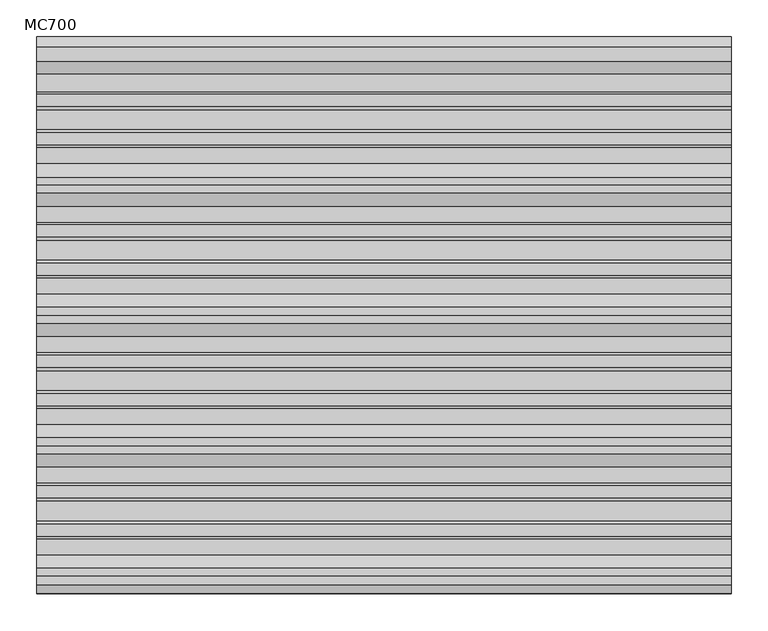
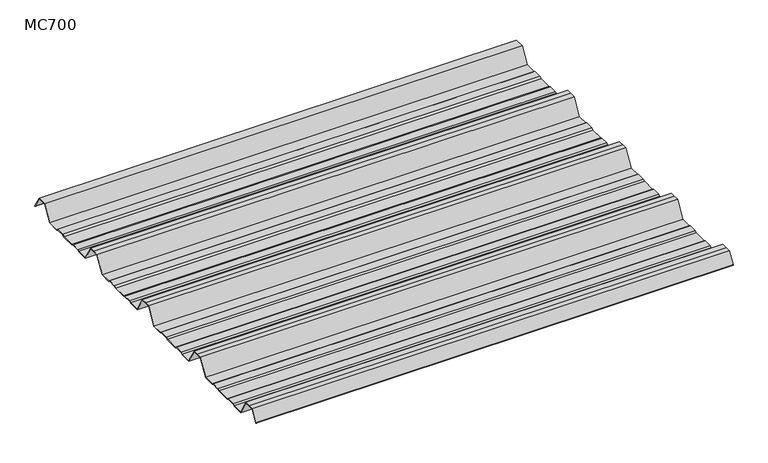
"""IFC4 building model written with IfcOpenShell, lengths in millimetres: beam geometry, MC700."""

from ifc_helpers import new_model, si_unit, point, frame, frame_2d, origin, place, context, project, spatial, polyline, circle_curve, trimmed, segment, composite_curve, outline, extrude, source, transform, mapped, element, save


def mc700_760bf003(model_context):
    return source(origin(), model_context, "Body", "SweptSolid", [
        extrude(outline(composite_curve([segment(polyline([(-279.7790109, -25.7896475), (-284.1593286, -23.7494212), (-300.5873198, -23.7494212), (-303.802364, -25.7896475), (-326.5000016, -25.7896475), (-344.5745116, 5.2103525), (-355.0, 5.2103525), (-365.4254884, 5.2103525), (-383.4999984, -25.7896475), (-406.197636, -25.7896475), (-409.4126802, -23.7494212), (-425.8406714, -23.7494212), (-430.2209891, -25.7896475), (-457.2790109, -25.7896475), (-461.6593286, -23.7494212), (-478.0873198, -23.7494212), (-481.302364, -25.7896475), (-504.0000016, -25.7896475), (-522.0745116, 5.2103525), (-532.5, 5.2103525), (-542.9254884, 5.2103525), (-560.9999984, -25.7896475), (-583.697636, -25.7896475), (-586.9126802, -23.7494212), (-603.3406714, -23.7494212), (-607.7209891, -25.7896475), (-634.7790109, -25.7896475), (-639.1593286, -23.7494212), (-655.5873198, -23.7494212), (-658.802364, -25.7896475), (-681.5000016, -25.7896475), (-699.5745116, 5.2103525), (-710.0, 5.2103525), (-720.4254884, 5.2103525), (-732.728303, -15.8904825)]), True, "CONTINUOUS"), segment(trimmed(circle_curve(frame_2d((-733.160246, -15.6386387)), 0.5), [point((-732.728303, -15.8904825))], [point((-733.5921889, -15.3867949))], False, "CARTESIAN"), True, "CONTINUOUS"), segment(polyline([(-733.5921889, -15.3867949), (-721.0, 6.2103525), (-710.0, 6.2103525), (-699.0, 6.2103525), (-680.92549, -24.7896475), (-659.0928785, -24.7896475), (-655.8778343, -22.7494212), (-638.9378651, -22.7494212), (-634.5575473, -24.7896475), (-607.9424527, -24.7896475), (-603.5621349, -22.7494212), (-586.6221657, -22.7494212), (-583.4071215, -24.7896475), (-561.57451, -24.7896475), (-543.5, 6.2103525), (-532.5, 6.2103525), (-521.5, 6.2103525), (-503.42549, -24.7896475), (-481.5928785, -24.7896475), (-478.3778343, -22.7494212), (-461.4378651, -22.7494212), (-457.0575473, -24.7896475), (-430.4424527, -24.7896475), (-426.0621349, -22.7494212), (-409.1221657, -22.7494212), (-405.9071215, -24.7896475), (-384.07451, -24.7896475), (-366.0, 6.2103525), (-355.0, 6.2103525), (-344.0, 6.2103525), (-325.92549, -24.7896475), (-304.0928785, -24.7896475), (-300.8778343, -22.7494212), (-283.9378651, -22.7494212), (-279.5575473, -24.7896475), (-252.9424527, -24.7896475), (-248.5621349, -22.7494212), (-231.6221657, -22.7494212), (-228.4071215, -24.7896475), (-206.57451, -24.7896475), (-188.5, 6.2103525), (-177.5, 6.2103525), (-166.5, 6.2103525), (-148.42549, -24.7896475), (-126.5928785, -24.7896475), (-123.3778343, -22.7494212), (-106.4378651, -22.7494212), (-102.0575473, -24.7896475), (-75.4424527, -24.7896475), (-71.0621349, -22.7494212), (-54.1221657, -22.7494212), (-50.9071215, -24.7896475), (-26.7593894, -24.7896475), (-9.8509769, 4.2103525), (9.8509769, 4.2103525), (24.2964926, -20.5654776)]), True, "CONTINUOUS"), segment(trimmed(circle_curve(frame_2d((23.8645497, -20.8173214)), 0.5), [point((24.2964926, -20.5654776))], [point((23.4326067, -21.0691651))], False, "CARTESIAN"), True, "CONTINUOUS"), segment(polyline([(23.4326067, -21.0691651), (9.2764653, 3.2103525), (-9.2764653, 3.2103525), (-26.1848779, -25.7896475), (-51.197636, -25.7896475), (-54.4126802, -23.7494212), (-70.8406714, -23.7494212), (-75.2209891, -25.7896475), (-102.2790109, -25.7896475), (-106.6593286, -23.7494212), (-123.0873198, -23.7494212), (-126.302364, -25.7896475), (-149.0000016, -25.7896475), (-167.0745116, 5.2103525), (-177.5, 5.2103525), (-187.9254884, 5.2103525), (-205.9999984, -25.7896475), (-228.697636, -25.7896475), (-231.9126802, -23.7494212), (-248.3406714, -23.7494212), (-252.7209891, -25.7896475), (-279.7790109, -25.7896475)]), True, "CONTINUOUS")], self_intersect=False)), frame((-472.5002337, 0.0, 0.0), z_axis=(1.0, 0.0, 0.0), x_axis=(0.0, 1.0, 0.0)), (0.0, 0.0, 1.0), 945.0004675),
    ])


if __name__ == "__main__":
    model = new_model("IFC4")
    model_context = context("Model", 3, world=origin())
    ifc_project = project(units=[si_unit("LENGTHUNIT", "METRE", prefix="MILLI")], contexts=[model_context])
    site = spatial("IfcSite", under=ifc_project)
    building = spatial("IfcBuilding", under=site)
    placement = place(None, origin())
    mc700_shape = mc700_760bf003(model_context)
    element("IfcBeam", 1, ObjectType="MC700", at=placement, inside=building, context=model_context, shape_type="MappedRepresentation", body=[
        mapped(mc700_shape, transform((0.0, 0.0, 0.0), x_axis=(1.0, 0.0, 0.0), y_axis=(0.0, 1.0, 0.0), z_axis=(0.0, 0.0, 1.0))),
    ])
    save(model, "model.ifc")
